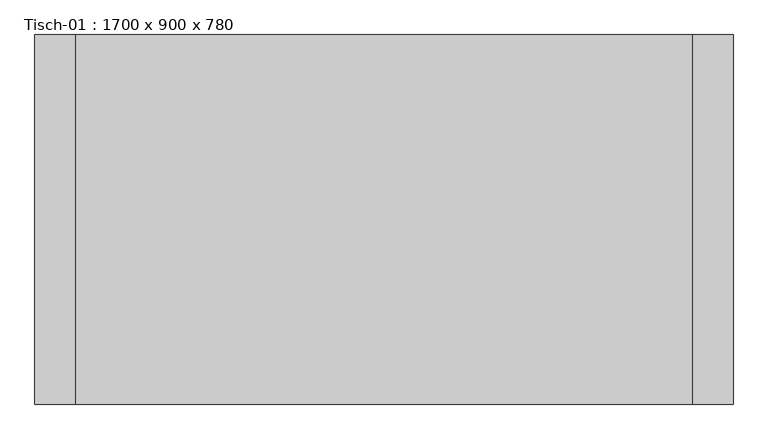
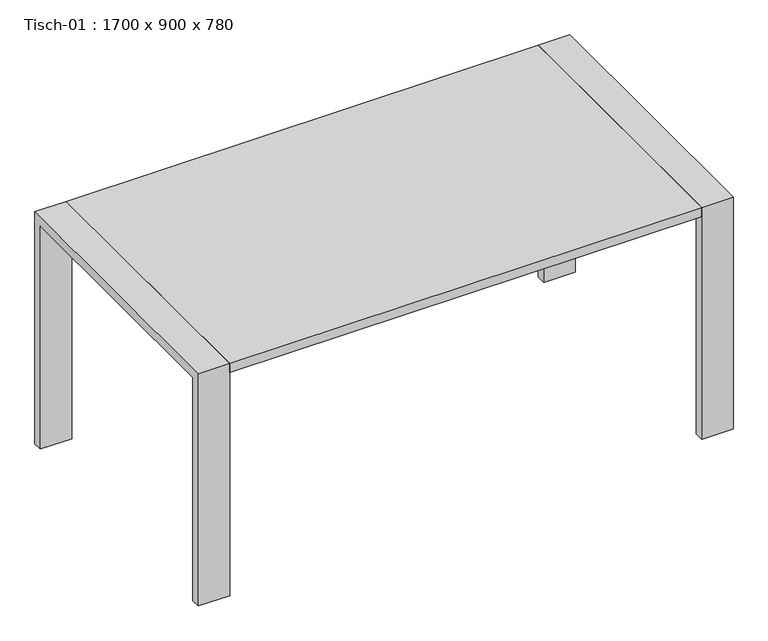
"""IFC4 building model written with IfcOpenShell, lengths in millimetres: furniture geometry, Tisch-01 : 1700 x 900 x 780."""

from ifc_helpers import new_model, si_unit, frame, origin, place, context, project, spatial, polyline, outline, extrude, source, transform, mapped, element, save


def tisch_01_1700_x_900_x_780_d13a8f01(model_context):
    return source(origin(), model_context, "Body", "SweptSolid", [
        extrude(outline(polyline([(594.6852459, 269.2852459), (594.6852459, -630.7147541), (-905.3147541, -630.7147541), (-905.3147541, 269.2852459), (594.6852459, 269.2852459)])), frame((0.0, 0.0, 750.0), z_axis=(0.0, 0.0, 1.0), x_axis=(1.0, 0.0, 0.0)), (0.0, 0.0, 1.0), 30.0),
        extrude(outline(polyline([(-630.7147541, 780.0), (269.2852459, 780.0), (269.2852459, 0.0), (239.2852459, 0.0), (239.2852459, 750.0), (-600.7147541, 750.0), (-600.7147541, 0.0), (-630.7147541, 0.0), (-630.7147541, 780.0)])), frame((-1005.3147541, 0.0, 0.0), z_axis=(1.0, 0.0, 0.0), x_axis=(0.0, 1.0, 0.0)), (0.0, 0.0, 1.0), 100.0),
        extrude(outline(polyline([(-630.7147541, 780.0), (269.2852459, 780.0), (269.2852459, 0.0), (239.2852459, 0.0), (239.2852459, 750.0), (-600.7147541, 750.0), (-600.7147541, 0.0), (-630.7147541, 0.0), (-630.7147541, 780.0)])), frame((594.6852459, 0.0, 0.0), z_axis=(1.0, 0.0, 0.0), x_axis=(0.0, 1.0, 0.0)), (0.0, 0.0, 1.0), 100.0),
    ])


if __name__ == "__main__":
    model = new_model("IFC4")
    model_context = context("Model", 3, world=origin())
    ifc_project = project(units=[si_unit("LENGTHUNIT", "METRE", prefix="MILLI")], contexts=[model_context])
    site = spatial("IfcSite", under=ifc_project)
    building = spatial("IfcBuilding", under=site)
    placement = place(None, origin())
    tisch_01_1700_x_900_x_780_shape = tisch_01_1700_x_900_x_780_d13a8f01(model_context)
    element("IfcFurniture", 1, ObjectType="Tisch-01 : 1700 x 900 x 780", at=placement, inside=building, context=model_context, shape_type="MappedRepresentation", body=[
        mapped(tisch_01_1700_x_900_x_780_shape, transform((0.0, 0.0, 0.0), x_axis=(1.0, 0.0, 0.0), y_axis=(0.0, 1.0, 0.0), z_axis=(0.0, 0.0, 1.0))),
    ])
    save(model, "model.ifc")
